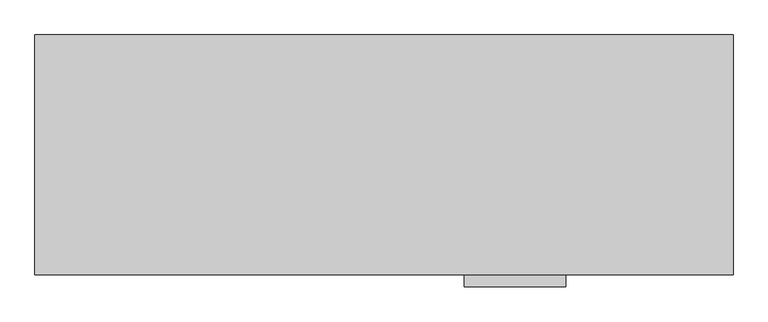
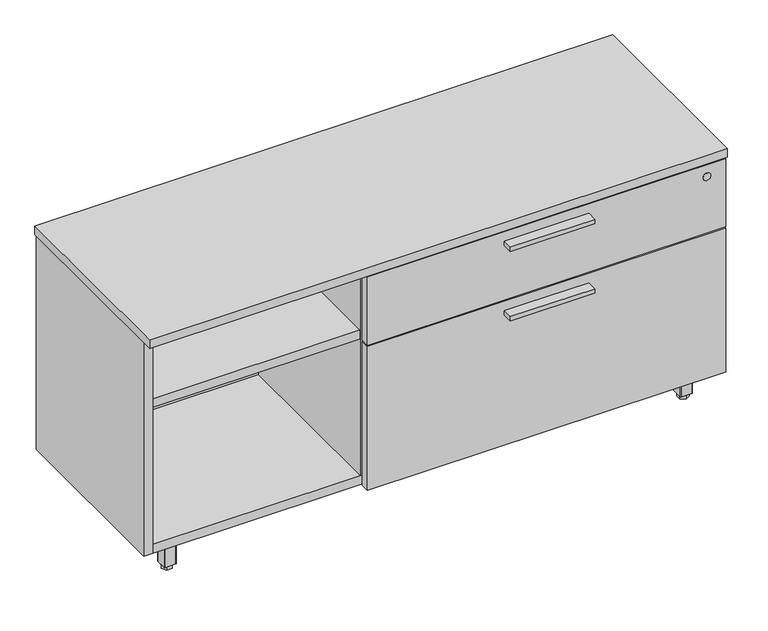
"""IFC4 building model written with IfcOpenShell, lengths in millimetres: furniture geometry."""

from ifc_helpers import new_model, si_unit, point, frame, frame_2d, origin, origin_with_axes, place, context, project, spatial, polyline, circle_curve, trimmed, segment, composite_curve, outline, extrude, source, transform, mapped, element, save


def furniture_e8ef5064(model_context):
    return source(origin(), model_context, "Body", "SweptSolid", [
        extrude(outline(polyline([(927.1635, -447.8158592), (749.3635, -447.8158592), (749.3635, -425.5908592), (927.1635, -425.5908592), (927.1635, -447.8158592)])), frame((0.0, 0.0, 351.0330729), z_axis=(0.0, 0.0, 1.0), x_axis=(1.0, 0.0, 0.0)), (0.0, 0.0, 1.0), 9.525),
        extrude(outline(polyline([(927.1635, -447.8158592), (749.3635, -447.8158592), (749.3635, -425.5908592), (927.1635, -425.5908592), (927.1635, -447.8158592)])), frame((0.0, 0.0, 506.1508939), z_axis=(0.0, 0.0, 1.0), x_axis=(1.0, 0.0, 0.0)), (0.0, 0.0, 1.0), 9.525),
        extrude(outline(polyline([(70.8025, -367.813183), (76.5175, -377.7118534), (70.8025, -387.6105237), (59.3725, -387.6105237), (53.6575, -377.7118534), (59.3725, -367.813183), (70.8025, -367.813183)])), origin_with_axes(), (0.0, 0.0, 1.0), 9.144),
        extrude(outline(composite_curve([segment(trimmed(circle_curve(frame_2d((65.0875, -377.7118534)), 4.445), [point((69.5325, -377.7118534))], [point((60.6425, -377.7118534))], False, "CARTESIAN"), True, "CONTINUOUS"), segment(trimmed(circle_curve(frame_2d((65.0875, -377.7118534)), 4.445), [point((60.6425, -377.7118534))], [point((69.5325, -377.7118534))], False, "CARTESIAN"), True, "CONTINUOUS")], self_intersect=False)), frame((0.0, 0.0, 7.112), z_axis=(0.0, 0.0, 1.0), x_axis=(1.0, 0.0, 0.0)), (0.0, 0.0, 1.0), 2.032),
        extrude(outline(composite_curve([segment(trimmed(circle_curve(frame_2d((11.1125, -393.5868534)), 3.175), [point((11.1125, -396.7618534))], [point((7.9375, -393.5868534))], False, "CARTESIAN"), True, "CONTINUOUS"), segment(polyline([(7.9375, -393.5868534), (7.9375, -323.7368534)]), True, "CONTINUOUS"), segment(trimmed(circle_curve(frame_2d((11.1125, -323.7368534)), 3.175), [point((7.9375, -323.7368534))], [point((11.1125, -320.5618534))], False, "CARTESIAN"), True, "CONTINUOUS"), segment(polyline([(11.1125, -320.5618534), (80.9625, -320.5618534)]), True, "CONTINUOUS"), segment(trimmed(circle_curve(frame_2d((80.9625, -323.7368534)), 3.175), [point((80.9625, -320.5618534))], [point((84.1375, -323.7368534))], False, "CARTESIAN"), True, "CONTINUOUS"), segment(polyline([(84.1375, -323.7368534), (84.1375, -393.5868534)]), True, "CONTINUOUS"), segment(trimmed(circle_curve(frame_2d((80.9625, -393.5868534)), 3.175), [point((84.1375, -393.5868534))], [point((80.9625, -396.7618534))], False, "CARTESIAN"), True, "CONTINUOUS"), segment(polyline([(80.9625, -396.7618534), (11.1125, -396.7618534)]), True, "CONTINUOUS")], self_intersect=False)), frame((0.0, 0.0, 58.3692), z_axis=(0.0, 0.0, 1.0), x_axis=(1.0, 0.0, 0.0)), (0.0, 0.0, 1.0), 1.89738),
        extrude(outline(composite_curve([segment(polyline([(76.5175, -390.4118534), (53.6575, -390.4118534)]), True, "CONTINUOUS"), segment(trimmed(circle_curve(frame_2d((53.6575, -389.1418534)), 1.27), [point((53.6575, -390.4118534))], [point((52.3875, -389.1418534))], False, "CARTESIAN"), True, "CONTINUOUS"), segment(polyline([(52.3875, -389.1418534), (52.3875, -366.2818534)]), True, "CONTINUOUS"), segment(trimmed(circle_curve(frame_2d((53.6575, -366.2818534)), 1.27), [point((52.3875, -366.2818534))], [point((53.6575, -365.0118534))], False, "CARTESIAN"), True, "CONTINUOUS"), segment(polyline([(53.6575, -365.0118534), (76.5175, -365.0118534)]), True, "CONTINUOUS"), segment(trimmed(circle_curve(frame_2d((76.5175, -366.2818534)), 1.27), [point((76.5175, -365.0118534))], [point((77.7875, -366.2818534))], False, "CARTESIAN"), True, "CONTINUOUS"), segment(polyline([(77.7875, -366.2818534), (77.7875, -389.1418534)]), True, "CONTINUOUS"), segment(trimmed(circle_curve(frame_2d((76.5175, -389.1418534)), 1.27), [point((77.7875, -389.1418534))], [point((76.5175, -390.4118534))], False, "CARTESIAN"), True, "CONTINUOUS")], self_intersect=False)), frame((0.0, 0.0, 9.144), z_axis=(0.0, 0.0, 1.0), x_axis=(1.0, 0.0, 0.0)), (0.0, 0.0, 1.0), 49.2252),
        extrude(outline(polyline([(55.1888296, -42.0508713), (65.0875, -36.3358713), (74.9861704, -42.0508713), (74.9861704, -53.4808713), (65.0875, -59.1958713), (55.1888296, -53.4808713), (55.1888296, -42.0508713)])), origin_with_axes(), (0.0, 0.0, 1.0), 9.144),
        extrude(outline(composite_curve([segment(trimmed(circle_curve(frame_2d((65.0875, -47.7658713)), 4.445), [point((65.0875, -43.3208713))], [point((65.0875, -52.2108713))], False, "CARTESIAN"), True, "CONTINUOUS"), segment(trimmed(circle_curve(frame_2d((65.0875, -47.7658713)), 4.445), [point((65.0875, -52.2108713))], [point((65.0875, -43.3208713))], False, "CARTESIAN"), True, "CONTINUOUS")], self_intersect=False)), frame((0.0, 0.0, 7.112), z_axis=(0.0, 0.0, 1.0), x_axis=(1.0, 0.0, 0.0)), (0.0, 0.0, 1.0), 2.032),
        extrude(outline(composite_curve([segment(trimmed(circle_curve(frame_2d((80.9625, -101.7408713)), 3.175), [point((84.1375, -101.7408713))], [point((80.9625, -104.9158713))], False, "CARTESIAN"), True, "CONTINUOUS"), segment(polyline([(80.9625, -104.9158713), (11.1125, -104.9158713)]), True, "CONTINUOUS"), segment(trimmed(circle_curve(frame_2d((11.1125, -101.7408713)), 3.175), [point((11.1125, -104.9158713))], [point((7.9375, -101.7408713))], False, "CARTESIAN"), True, "CONTINUOUS"), segment(polyline([(7.9375, -101.7408713), (7.9375, -31.8908713)]), True, "CONTINUOUS"), segment(trimmed(circle_curve(frame_2d((11.1125, -31.8908713)), 3.175), [point((7.9375, -31.8908713))], [point((11.1125, -28.7158713))], False, "CARTESIAN"), True, "CONTINUOUS"), segment(polyline([(11.1125, -28.7158713), (80.9625, -28.7158713)]), True, "CONTINUOUS"), segment(trimmed(circle_curve(frame_2d((80.9625, -31.8908713)), 3.175), [point((80.9625, -28.7158713))], [point((84.1375, -31.8908713))], False, "CARTESIAN"), True, "CONTINUOUS"), segment(polyline([(84.1375, -31.8908713), (84.1375, -101.7408713)]), True, "CONTINUOUS")], self_intersect=False)), frame((0.0, 0.0, 58.3692), z_axis=(0.0, 0.0, 1.0), x_axis=(1.0, 0.0, 0.0)), (0.0, 0.0, 1.0), 1.89738),
        extrude(outline(composite_curve([segment(polyline([(77.7875, -36.3358713), (77.7875, -59.1958713)]), True, "CONTINUOUS"), segment(trimmed(circle_curve(frame_2d((76.5175, -59.1958713)), 1.27), [point((77.7875, -59.1958713))], [point((76.5175, -60.4658713))], False, "CARTESIAN"), True, "CONTINUOUS"), segment(polyline([(76.5175, -60.4658713), (53.6575, -60.4658713)]), True, "CONTINUOUS"), segment(trimmed(circle_curve(frame_2d((53.6575, -59.1958713)), 1.27), [point((53.6575, -60.4658713))], [point((52.3875, -59.1958713))], False, "CARTESIAN"), True, "CONTINUOUS"), segment(polyline([(52.3875, -59.1958713), (52.3875, -36.3358713)]), True, "CONTINUOUS"), segment(trimmed(circle_curve(frame_2d((53.6575, -36.3358713)), 1.27), [point((52.3875, -36.3358713))], [point((53.6575, -35.0658713))], False, "CARTESIAN"), True, "CONTINUOUS"), segment(polyline([(53.6575, -35.0658713), (76.5175, -35.0658713)]), True, "CONTINUOUS"), segment(trimmed(circle_curve(frame_2d((76.5175, -36.3358713)), 1.27), [point((76.5175, -35.0658713))], [point((77.7875, -36.3358713))], False, "CARTESIAN"), True, "CONTINUOUS")], self_intersect=False)), frame((0.0, 0.0, 9.144), z_axis=(0.0, 0.0, 1.0), x_axis=(1.0, 0.0, 0.0)), (0.0, 0.0, 1.0), 49.2252),
        extrude(outline(polyline([(1148.3975, -57.6645417), (1142.6825, -47.7658713), (1148.3975, -37.8672009), (1159.8275, -37.8672009), (1165.5425, -47.7658713), (1159.8275, -57.6645417), (1148.3975, -57.6645417)])), origin_with_axes(), (0.0, 0.0, 1.0), 9.144),
        extrude(outline(composite_curve([segment(trimmed(circle_curve(frame_2d((1154.1125, -47.7658713)), 4.445), [point((1149.6675, -47.7658713))], [point((1158.5575, -47.7658713))], False, "CARTESIAN"), True, "CONTINUOUS"), segment(trimmed(circle_curve(frame_2d((1154.1125, -47.7658713)), 4.445), [point((1158.5575, -47.7658713))], [point((1149.6675, -47.7658713))], False, "CARTESIAN"), True, "CONTINUOUS")], self_intersect=False)), frame((0.0, 0.0, 7.112), z_axis=(0.0, 0.0, 1.0), x_axis=(1.0, 0.0, 0.0)), (0.0, 0.0, 1.0), 2.032),
        extrude(outline(composite_curve([segment(trimmed(circle_curve(frame_2d((1208.0875, -31.8908713)), 3.175), [point((1208.0875, -28.7158713))], [point((1211.2625, -31.8908713))], False, "CARTESIAN"), True, "CONTINUOUS"), segment(polyline([(1211.2625, -31.8908713), (1211.2625, -101.7408713)]), True, "CONTINUOUS"), segment(trimmed(circle_curve(frame_2d((1208.0875, -101.7408713)), 3.175), [point((1211.2625, -101.7408713))], [point((1208.0875, -104.9158713))], False, "CARTESIAN"), True, "CONTINUOUS"), segment(polyline([(1208.0875, -104.9158713), (1138.2375, -104.9158713)]), True, "CONTINUOUS"), segment(trimmed(circle_curve(frame_2d((1138.2375, -101.7408713)), 3.175), [point((1138.2375, -104.9158713))], [point((1135.0625, -101.7408713))], False, "CARTESIAN"), True, "CONTINUOUS"), segment(polyline([(1135.0625, -101.7408713), (1135.0625, -31.8908713)]), True, "CONTINUOUS"), segment(trimmed(circle_curve(frame_2d((1138.2375, -31.8908713)), 3.175), [point((1135.0625, -31.8908713))], [point((1138.2375, -28.7158713))], False, "CARTESIAN"), True, "CONTINUOUS"), segment(polyline([(1138.2375, -28.7158713), (1208.0875, -28.7158713)]), True, "CONTINUOUS")], self_intersect=False)), frame((0.0, 0.0, 58.3692), z_axis=(0.0, 0.0, 1.0), x_axis=(1.0, 0.0, 0.0)), (0.0, 0.0, 1.0), 1.89738),
        extrude(outline(composite_curve([segment(polyline([(1142.6825, -35.0658713), (1165.5425, -35.0658713)]), True, "CONTINUOUS"), segment(trimmed(circle_curve(frame_2d((1165.5425, -36.3358713)), 1.27), [point((1165.5425, -35.0658713))], [point((1166.8125, -36.3358713))], False, "CARTESIAN"), True, "CONTINUOUS"), segment(polyline([(1166.8125, -36.3358713), (1166.8125, -59.1958713)]), True, "CONTINUOUS"), segment(trimmed(circle_curve(frame_2d((1165.5425, -59.1958713)), 1.27), [point((1166.8125, -59.1958713))], [point((1165.5425, -60.4658713))], False, "CARTESIAN"), True, "CONTINUOUS"), segment(polyline([(1165.5425, -60.4658713), (1142.6825, -60.4658713)]), True, "CONTINUOUS"), segment(trimmed(circle_curve(frame_2d((1142.6825, -59.1958713)), 1.27), [point((1142.6825, -60.4658713))], [point((1141.4125, -59.1958713))], False, "CARTESIAN"), True, "CONTINUOUS"), segment(polyline([(1141.4125, -59.1958713), (1141.4125, -36.3358713)]), True, "CONTINUOUS"), segment(trimmed(circle_curve(frame_2d((1142.6825, -36.3358713)), 1.27), [point((1141.4125, -36.3358713))], [point((1142.6825, -35.0658713))], False, "CARTESIAN"), True, "CONTINUOUS")], self_intersect=False)), frame((0.0, 0.0, 9.144), z_axis=(0.0, 0.0, 1.0), x_axis=(1.0, 0.0, 0.0)), (0.0, 0.0, 1.0), 49.2252),
        extrude(outline(polyline([(1164.0111704, -383.4268534), (1154.1125, -389.1418534), (1144.2138296, -383.4268534), (1144.2138296, -371.9968534), (1154.1125, -366.2818534), (1164.0111704, -371.9968534), (1164.0111704, -383.4268534)])), origin_with_axes(), (0.0, 0.0, 1.0), 9.144),
        extrude(outline(composite_curve([segment(trimmed(circle_curve(frame_2d((1154.1125, -377.7118534)), 4.445), [point((1154.1125, -382.1568534))], [point((1154.1125, -373.2668534))], False, "CARTESIAN"), True, "CONTINUOUS"), segment(trimmed(circle_curve(frame_2d((1154.1125, -377.7118534)), 4.445), [point((1154.1125, -373.2668534))], [point((1154.1125, -382.1568534))], False, "CARTESIAN"), True, "CONTINUOUS")], self_intersect=False)), frame((0.0, 0.0, 7.112), z_axis=(0.0, 0.0, 1.0), x_axis=(1.0, 0.0, 0.0)), (0.0, 0.0, 1.0), 2.032),
        extrude(outline(composite_curve([segment(trimmed(circle_curve(frame_2d((1138.2375, -323.7368534)), 3.175), [point((1135.0625, -323.7368534))], [point((1138.2375, -320.5618534))], False, "CARTESIAN"), True, "CONTINUOUS"), segment(polyline([(1138.2375, -320.5618534), (1208.0875, -320.5618534)]), True, "CONTINUOUS"), segment(trimmed(circle_curve(frame_2d((1208.0875, -323.7368534)), 3.175), [point((1208.0875, -320.5618534))], [point((1211.2625, -323.7368534))], False, "CARTESIAN"), True, "CONTINUOUS"), segment(polyline([(1211.2625, -323.7368534), (1211.2625, -393.5868534)]), True, "CONTINUOUS"), segment(trimmed(circle_curve(frame_2d((1208.0875, -393.5868534)), 3.175), [point((1211.2625, -393.5868534))], [point((1208.0875, -396.7618534))], False, "CARTESIAN"), True, "CONTINUOUS"), segment(polyline([(1208.0875, -396.7618534), (1138.2375, -396.7618534)]), True, "CONTINUOUS"), segment(trimmed(circle_curve(frame_2d((1138.2375, -393.5868534)), 3.175), [point((1138.2375, -396.7618534))], [point((1135.0625, -393.5868534))], False, "CARTESIAN"), True, "CONTINUOUS"), segment(polyline([(1135.0625, -393.5868534), (1135.0625, -323.7368534)]), True, "CONTINUOUS")], self_intersect=False)), frame((0.0, 0.0, 58.3692), z_axis=(0.0, 0.0, 1.0), x_axis=(1.0, 0.0, 0.0)), (0.0, 0.0, 1.0), 1.89738),
        extrude(outline(composite_curve([segment(polyline([(1141.4125, -389.1418534), (1141.4125, -366.2818534)]), True, "CONTINUOUS"), segment(trimmed(circle_curve(frame_2d((1142.6825, -366.2818534)), 1.27), [point((1141.4125, -366.2818534))], [point((1142.6825, -365.0118534))], False, "CARTESIAN"), True, "CONTINUOUS"), segment(polyline([(1142.6825, -365.0118534), (1165.5425, -365.0118534)]), True, "CONTINUOUS"), segment(trimmed(circle_curve(frame_2d((1165.5425, -366.2818534)), 1.27), [point((1165.5425, -365.0118534))], [point((1166.8125, -366.2818534))], False, "CARTESIAN"), True, "CONTINUOUS"), segment(polyline([(1166.8125, -366.2818534), (1166.8125, -389.1418534)]), True, "CONTINUOUS"), segment(trimmed(circle_curve(frame_2d((1165.5425, -389.1418534)), 1.27), [point((1166.8125, -389.1418534))], [point((1165.5425, -390.4118534))], False, "CARTESIAN"), True, "CONTINUOUS"), segment(polyline([(1165.5425, -390.4118534), (1142.6825, -390.4118534)]), True, "CONTINUOUS"), segment(trimmed(circle_curve(frame_2d((1142.6825, -389.1418534)), 1.27), [point((1142.6825, -390.4118534))], [point((1141.4125, -389.1418534))], False, "CARTESIAN"), True, "CONTINUOUS")], self_intersect=False)), frame((0.0, 0.0, 9.144), z_axis=(0.0, 0.0, 1.0), x_axis=(1.0, 0.0, 0.0)), (0.0, 0.0, 1.0), 49.2252),
        extrude(outline(polyline([(1198.3085154, -30.4938704), (1198.3085154, -402.7308447), (20.8915005, -402.7308447), (20.8915005, -30.4938704), (1198.3085154, -30.4938704)])), frame((0.0, 0.0, 520.1843787), z_axis=(0.0, 0.0, 1.0), x_axis=(1.0, 0.0, 0.0)), (0.0, 0.0, 1.0), 19.304),
        extrude(outline(polyline([(478.2185, -30.4938704), (478.2185, -401.5878548), (458.9145, -401.5878548), (458.9145, -30.4938704), (478.2185, -30.4938704)])), frame((0.0, 0.0, 79.57058), z_axis=(0.0, 0.0, 1.0), x_axis=(1.0, 0.0, 0.0)), (0.0, 0.0, 1.0), 440.6137987),
        extrude(outline(polyline([(460.502, -406.2868776), (1216.025, -406.2868776), (1216.025, -425.5908592), (460.502, -425.5908592), (460.502, -406.2868776)])), frame((0.0, 0.0, 384.3705787), z_axis=(0.0, 0.0, 1.0), x_axis=(1.0, 0.0, 0.0)), (0.0, 0.0, 1.0), 151.9428152),
        extrude(outline(polyline([(460.502, -406.2868776), (1216.025, -406.2868776), (1216.025, -425.5908592), (460.502, -425.5908592), (460.502, -406.2868776)])), frame((0.0, 0.0, 60.26658), z_axis=(0.0, 0.0, 1.0), x_axis=(1.0, 0.0, 0.0)), (0.0, 0.0, 1.0), 320.9289929),
        extrude(outline(polyline([(458.9145, -30.4938704), (458.9145, -400.8258374), (20.8915, -400.8258374), (20.8915, -30.4938704), (458.9145, -30.4938704)])), frame((0.0, 0.0, 384.3705787), z_axis=(0.0, 0.0, 1.0), x_axis=(1.0, 0.0, 0.0)), (0.0, 0.0, 1.0), 19.304),
        extrude(outline(polyline([(1219.2, -8.0783713), (1219.2, -427.1783713), (0.0, -427.1783713), (0.0, -8.0783713), (1219.2, -8.0783713)])), frame((0.0, 0.0, 539.4883818), z_axis=(0.0, 0.0, 1.0), x_axis=(1.0, 0.0, 0.0)), (0.0, 0.0, 1.0), 19.0499969),
        extrude(outline(polyline([(1198.3085154, -30.4938704), (1198.3085154, -402.7308447), (20.8915005, -402.7308447), (20.8915005, -30.4938704), (1198.3085154, -30.4938704)])), frame((0.0, 0.0, 60.26658), z_axis=(0.0, 0.0, 1.0), x_axis=(1.0, 0.0, 0.0)), (0.0, 0.0, 1.0), 19.304),
        extrude(outline(polyline([(1198.3085154, -11.1898712), (1198.3085154, -30.4938704), (20.8915005, -30.4938704), (20.8915005, -11.1898712), (1198.3085154, -11.1898712)])), frame((0.0, 0.0, 60.26658), z_axis=(0.0, 0.0, 1.0), x_axis=(1.0, 0.0, 0.0)), (0.0, 0.0, 1.0), 479.2217987),
        extrude(outline(polyline([(20.8915005, -9.6658713), (20.8915005, -403.1118534), (1.5875, -403.1118534), (1.5875, -9.6658713), (20.8915005, -9.6658713)])), frame((0.0, 0.0, 60.26658), z_axis=(0.0, 0.0, 1.0), x_axis=(1.0, 0.0, 0.0)), (0.0, 0.0, 1.0), 479.2217987),
        extrude(outline(polyline([(1198.3085154, -9.6658713), (1217.6125158, -9.6658713), (1217.6125158, -403.1118534), (1198.3085154, -403.1118534), (1198.3085154, -9.6658713)])), frame((0.0, 0.0, 60.26658), z_axis=(0.0, 0.0, 1.0), x_axis=(1.0, 0.0, 0.0)), (0.0, 0.0, 1.0), 479.2217987),
        extrude(outline(composite_curve([segment(trimmed(circle_curve(frame_2d((510.9133939, 1176.02)), 8.001), [point((510.9133939, 1184.021))], [point((510.9133939, 1168.019))], False, "CARTESIAN"), True, "CONTINUOUS"), segment(trimmed(circle_curve(frame_2d((510.9133939, 1176.02)), 8.001), [point((510.9133939, 1168.019))], [point((510.9133939, 1184.021))], False, "CARTESIAN"), True, "CONTINUOUS")], self_intersect=False)), frame((0.0, -427.1783713, 0.0), z_axis=(0.0, 1.0, 0.0), x_axis=(0.0, 0.0, 1.0)), (0.0, 0.0, 1.0), 1.5875121),
    ])


if __name__ == "__main__":
    model = new_model("IFC4")
    model_context = context("Model", 3, world=origin())
    ifc_project = project(units=[si_unit("LENGTHUNIT", "METRE", prefix="MILLI")], contexts=[model_context])
    site = spatial("IfcSite", under=ifc_project)
    building = spatial("IfcBuilding", under=site)
    placement = place(None, origin())
    furniture_shape = furniture_e8ef5064(model_context)
    element("IfcFurniture", 1, at=placement, inside=building, context=model_context, shape_type="MappedRepresentation", body=[
        mapped(furniture_shape, transform((0.0, 0.0, 0.0), x_axis=(1.0, 0.0, 0.0), y_axis=(0.0, 1.0, 0.0), z_axis=(0.0, 0.0, 1.0))),
    ])
    save(model, "model.ifc")
